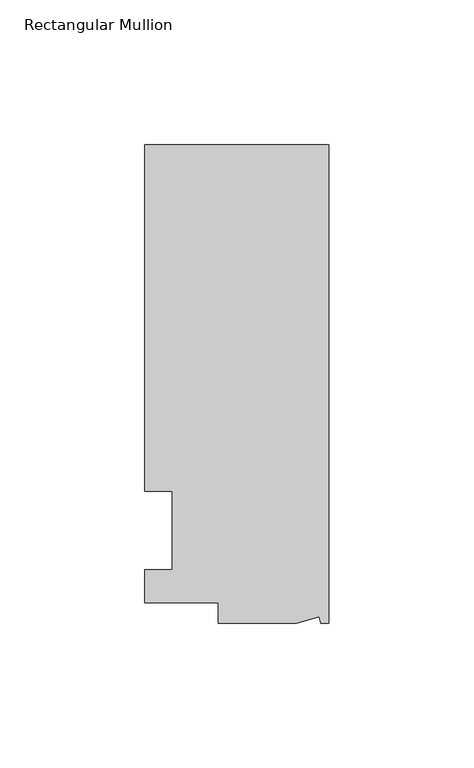
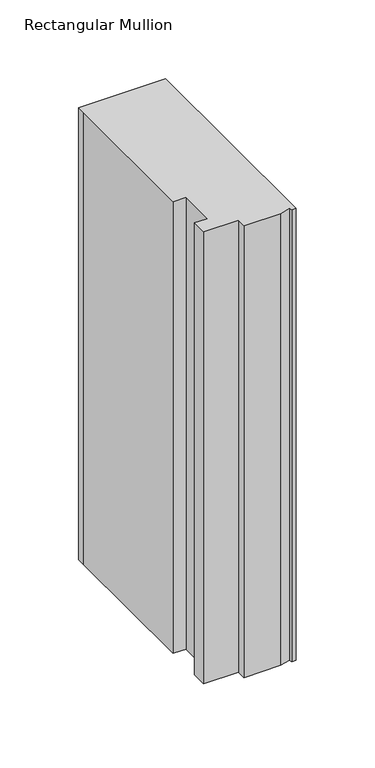
"""IFC4 building model written with IfcOpenShell, lengths in millimetres: member geometry, Rectangular Mullion."""

from ifc_helpers import new_model, si_unit, frame, origin, place, context, project, spatial, polyline, outline, extrude, source, transform, mapped, element, save


def rectangular_mullion_0ff1d6c8(model_context):
    return source(origin(), model_context, "Body", "SweptSolid", [
        extrude(outline(polyline([(0.0, 131.0674452), (0.0, -34.0325548), (-2.7630634, -34.0325548), (-3.3223696, -31.9451957), (-11.1125, -34.0325548), (-38.1, -34.0325548), (-38.1, -27.0729548), (-63.5, -27.0729548), (-63.5, -15.6924375), (-53.975, -15.6924375), (-53.975, 11.3942812), (-63.5, 11.3942812), (-63.5, 124.7174452), (-63.5, 131.0674452), (0.0, 131.0674452)])), frame((0.0, 0.0, -349.25), z_axis=(0.0, 0.0, 1.0), x_axis=(1.0, 0.0, 0.0)), (0.0, 0.0, 1.0), 349.25),
    ])


if __name__ == "__main__":
    model = new_model("IFC4")
    model_context = context("Model", 3, world=origin())
    ifc_project = project(units=[si_unit("LENGTHUNIT", "METRE", prefix="MILLI")], contexts=[model_context])
    site = spatial("IfcSite", under=ifc_project)
    building = spatial("IfcBuilding", under=site)
    placement = place(None, origin())
    rectangular_mullion_shape = rectangular_mullion_0ff1d6c8(model_context)
    element("IfcMember", 1, ObjectType="Rectangular Mullion", at=placement, inside=building, context=model_context, shape_type="MappedRepresentation", body=[
        mapped(rectangular_mullion_shape, transform((0.0, 0.0, 0.0), x_axis=(1.0, 0.0, 0.0), y_axis=(0.0, 1.0, 0.0), z_axis=(0.0, 0.0, 1.0))),
    ])
    save(model, "model.ifc")
